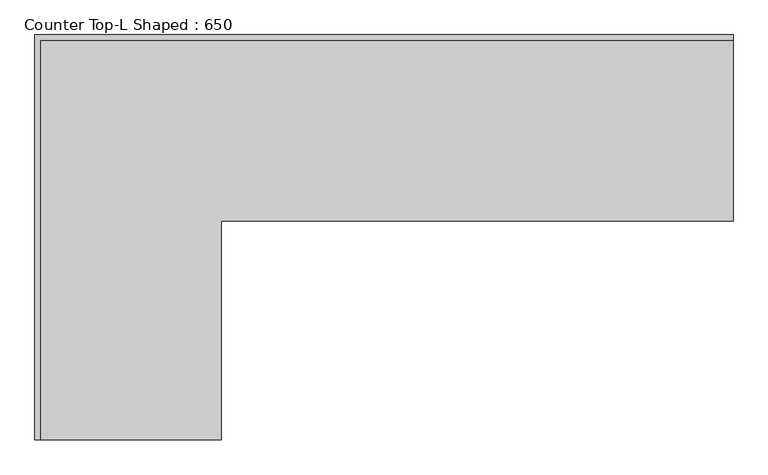
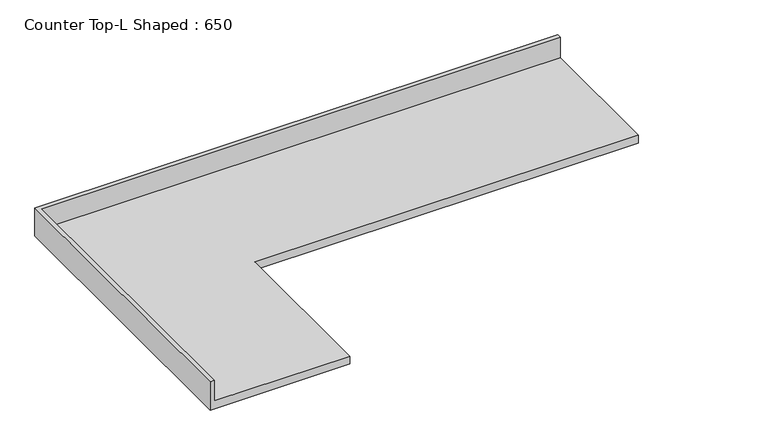
"""IFC4 building model written with IfcOpenShell, lengths in millimetres: furniture geometry, Counter Top-L Shaped : 650."""

from ifc_helpers import new_model, si_unit, origin, place, context, project, spatial, faceted_brep, source, transform, mapped, element, save


def counter_top_l_shaped_650_d4ad4bc8(model_context):
    return source(origin(), model_context, "Body", "Brep", [
        faceted_brep([(-550.4622951, -1415.2883452, 914.4), (-550.4622951, -650.0, 914.4), (1237.9377049, -650.0, 914.4), (1237.9377049, -19.05, 914.4), (-1181.4122951, -19.05, 914.4), (-1181.4122951, -1415.2883452, 914.4), (1237.9377049, 0.0, 876.3), (1237.9377049, -650.0, 876.3), (-550.4622951, -650.0, 876.3), (-550.4622951, -1415.2883452, 876.3), (-1200.4622951, -1415.2883452, 876.3), (-1200.4622951, 0.0, 876.3), (-1200.4622951, 0.0, 1016.0), (1237.9377049, 0.0, 1016.0), (-1200.4622951, -1415.2883452, 1016.0), (-1181.4122951, -1415.2883452, 1016.0), (1237.9377049, -19.05, 1016.0), (-1181.4122951, -19.05, 1016.0)], [[[0, 1, 2, 3, 4, 5]], [[6, 7, 8, 9, 10, 11]], [[6, 11, 12, 13]], [[11, 10, 14, 12]], [[14, 10, 9, 0, 5, 15]], [[1, 0, 9, 8]], [[2, 1, 8, 7]], [[7, 6, 13, 16, 3, 2]], [[12, 14, 15, 17, 16, 13]], [[3, 16, 17, 4]], [[17, 15, 5, 4]]]),
    ])


if __name__ == "__main__":
    model = new_model("IFC4")
    model_context = context("Model", 3, world=origin())
    ifc_project = project(units=[si_unit("LENGTHUNIT", "METRE", prefix="MILLI")], contexts=[model_context])
    site = spatial("IfcSite", under=ifc_project)
    building = spatial("IfcBuilding", under=site)
    placement = place(None, origin())
    counter_top_l_shaped_650_shape = counter_top_l_shaped_650_d4ad4bc8(model_context)
    element("IfcFurniture", 1, ObjectType="Counter Top-L Shaped : 650", at=placement, inside=building, context=model_context, shape_type="MappedRepresentation", body=[
        mapped(counter_top_l_shaped_650_shape, transform((0.0, 0.0, 0.0), x_axis=(1.0, 0.0, 0.0), y_axis=(0.0, 1.0, 0.0), z_axis=(0.0, 0.0, 1.0))),
    ])
    save(model, "model.ifc")
